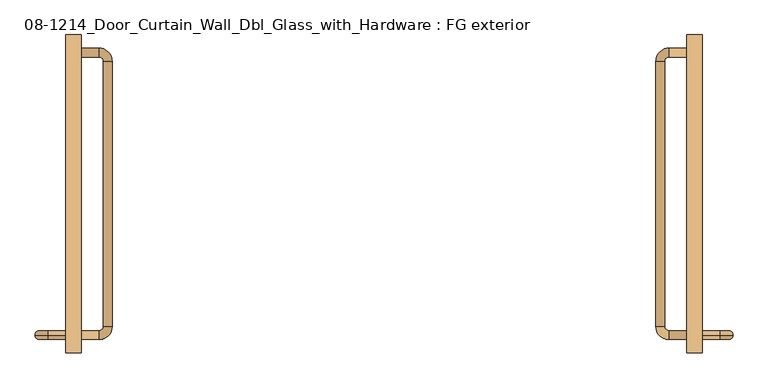
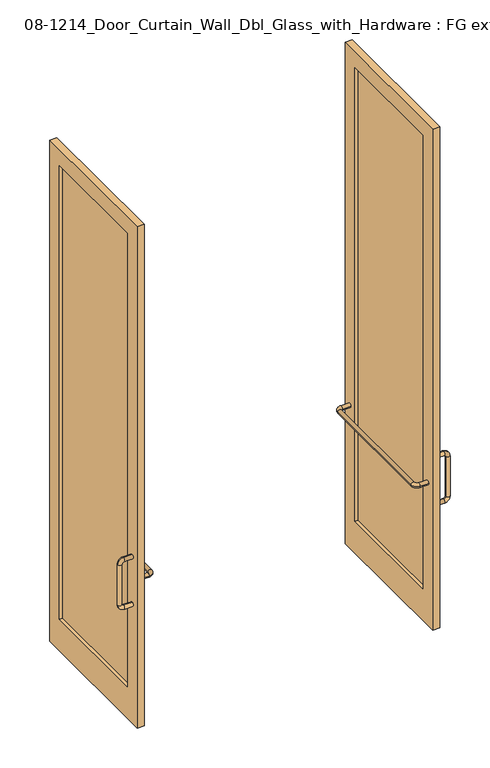
"""IFC4 building model written with IfcOpenShell, lengths in millimetres: door geometry, 08-1214_Door_Curtain_Wall_Dbl_Glass_with_Hardware : FG exterior."""

import ifcopenshell
import ifcopenshell.guid

model = None  # the IFC model being written
_history = None  # IfcOwnerHistory: only IFC2X3 demands one
_inside = {}  # id of a spatial element -> (the spatial element, [elements in it])
_under = {}  # id of a project, library or spatial element -> (it, [spatial elements below it])
_declared = {}  # id of a project -> (the project, [libraries it declares])
_typed = {}  # id of a type object -> (the type object, [elements of that type])
_made_of = {}  # id of a material, layer set ... -> (it, [elements and type objects made of it])


def new_model(schema):
    """Start an empty IFC model of exactly this schema.

    Asked for "IFC4X3", IfcOpenShell would pick the latest addendum, in which some entities
    have other attributes; the version numbers below select the first issue.
    IFC2X3 requires an IfcOwnerHistory on every rooted entity: one is made here for all.
    """
    global model, _history
    if schema == "IFC4X3":
        model = ifcopenshell.file(schema_version=(4, 3, 0, 0))
    else:
        model = ifcopenshell.file(schema=schema)
    _inside.clear()
    _under.clear()
    _declared.clear()
    _typed.clear()
    _made_of.clear()
    _history = None
    if model.schema == "IFC2X3":
        org = make("IfcOrganization", Name="unknown")
        user = make(
            "IfcPersonAndOrganization",
            ThePerson=make("IfcPerson", FamilyName="unknown"),
            TheOrganization=org,
        )
        app = make(
            "IfcApplication",
            ApplicationDeveloper=org,
            Version="unknown",
            ApplicationFullName="unknown",
            ApplicationIdentifier="unknown",
        )
        _history = make(
            "IfcOwnerHistory",
            OwningUser=user,
            OwningApplication=app,
            ChangeAction="ADDED",
            CreationDate=0,
        )
    return model


def make(cls, **values):
    """One entity of the class cls with the attributes given. An attribute that is None is left unset."""
    return model.create_entity(
        cls, **{name: value for name, value in values.items() if value is not None}
    )


def rooted(cls, **values):
    """An entity with a GlobalId (a new one), such as an element, a storey or a relation."""
    return make(cls, GlobalId=ifcopenshell.guid.new(), OwnerHistory=_history, **values)


def si_unit(unit_type, name, prefix=None):
    """IfcSIUnit, for example si_unit("LENGTHUNIT", "METRE", prefix="MILLI")."""
    return make("IfcSIUnit", UnitType=unit_type, Prefix=prefix, Name=name)


def assignment(units):
    """IfcUnitAssignment: the units of a project."""
    return None if units is None else make("IfcUnitAssignment", Units=units)


def point(xyz):
    """IfcCartesianPoint."""
    return None if xyz is None else make("IfcCartesianPoint", Coordinates=xyz)


def direction(xyz):
    """IfcDirection."""
    return None if xyz is None else make("IfcDirection", DirectionRatios=xyz)


def frame(location, z_axis=None, x_axis=None):
    """IfcAxis2Placement3D, a coordinate frame: its origin and axes. An axis left out is left unset."""
    return make(
        "IfcAxis2Placement3D",
        Location=point(location),
        Axis=direction(z_axis),
        RefDirection=direction(x_axis),
    )


def origin():
    """The frame at (0, 0, 0) with its axes left unset."""
    return frame((0.0, 0.0, 0.0))


def place(relative_to, where):
    """IfcLocalPlacement: puts the frame where relative to a parent placement (None: the world)."""
    return make(
        "IfcLocalPlacement", PlacementRelTo=relative_to, RelativePlacement=where
    )


def context(
    kind, dimensions, precision=None, world=None, true_north=None, identifier=None
):
    """IfcGeometricRepresentationContext, for example the 3D "Model" context."""
    return make(
        "IfcGeometricRepresentationContext",
        ContextIdentifier=identifier,
        ContextType=kind,
        CoordinateSpaceDimension=dimensions,
        Precision=precision,
        WorldCoordinateSystem=world,
        TrueNorth=true_north,
    )


def project(units=None, contexts=None):
    """IfcProject with its units and contexts."""
    return rooted(
        "IfcProject",
        Name="project",
        RepresentationContexts=contexts,
        UnitsInContext=assignment(units),
    )


def spatial(cls, under=None, at=None, **own):
    """A site, building, storey or space (cls), placed at a placement, below another one or the project."""
    s = rooted(cls, ObjectPlacement=at, **own)
    if under is not None:
        _under.setdefault(under.id(), (under, []))[1].append(s)
    return s


def polyline(points):
    """IfcPolyline through the points."""
    return make("IfcPolyline", Points=[point(p) for p in points])


def circle_curve(where, radius):
    """IfcCircle in the frame where."""
    return make("IfcCircle", Position=where, Radius=radius)


def ellipse_curve(where, semi_axis1, semi_axis2):
    """IfcEllipse in the frame where."""
    return make(
        "IfcEllipse", Position=where, SemiAxis1=semi_axis1, SemiAxis2=semi_axis2
    )


def trimmed(basis, trim1, trim2, sense, master):
    """IfcTrimmedCurve: the piece of a basis curve between two trims."""
    return make(
        "IfcTrimmedCurve",
        BasisCurve=basis,
        Trim1=trim1,
        Trim2=trim2,
        SenseAgreement=sense,
        MasterRepresentation=master,
    )


def outline(outer, holes=None, kind="AREA"):
    """IfcArbitraryClosedProfileDef: a profile drawn as a closed curve; with holes, ...WithVoids."""
    if holes is None:
        return make("IfcArbitraryClosedProfileDef", ProfileType=kind, OuterCurve=outer)
    return make(
        "IfcArbitraryProfileDefWithVoids",
        ProfileType=kind,
        OuterCurve=outer,
        InnerCurves=holes,
    )


def extrude(swept, where, along, depth):
    """IfcExtrudedAreaSolid: the profile swept, set in the frame where, extruded along a direction by depth."""
    return make(
        "IfcExtrudedAreaSolid",
        SweptArea=swept,
        Position=where,
        ExtrudedDirection=direction(along),
        Depth=depth,
    )


def shape(context_of_items, identifier, shape_type, items):
    """IfcShapeRepresentation: the items that make up one representation, for example the "Body"."""
    return make(
        "IfcShapeRepresentation",
        ContextOfItems=context_of_items,
        RepresentationIdentifier=identifier,
        RepresentationType=shape_type,
        Items=items,
    )


def source(mapping_origin, context_of_items, identifier, shape_type, items):
    """IfcRepresentationMap: a shape defined once, which mapped items show again and again."""
    return make(
        "IfcRepresentationMap",
        MappingOrigin=mapping_origin,
        MappedRepresentation=shape(context_of_items, identifier, shape_type, items),
    )


def transform(
    local_origin,
    x_axis=None,
    y_axis=None,
    z_axis=None,
    scale=None,
    scale2=None,
    scale3=None,
    uniform=True,
):
    """IfcCartesianTransformationOperator3D, or its non-uniform kind. x_axis, y_axis, z_axis: its Axis1, 2, 3."""
    if uniform:
        return make(
            "IfcCartesianTransformationOperator3D",
            Axis1=direction(x_axis),
            Axis2=direction(y_axis),
            LocalOrigin=point(local_origin),
            Scale=scale,
            Axis3=direction(z_axis),
        )
    return make(
        "IfcCartesianTransformationOperator3DnonUniform",
        Axis1=direction(x_axis),
        Axis2=direction(y_axis),
        LocalOrigin=point(local_origin),
        Scale=scale,
        Axis3=direction(z_axis),
        Scale2=scale2,
        Scale3=scale3,
    )


def mapped(mapping_source, mapping_target):
    """IfcMappedItem: shows the shape of a source again, moved by a transform."""
    return make(
        "IfcMappedItem", MappingSource=mapping_source, MappingTarget=mapping_target
    )


def made_of(thing, what):
    """Note that an element or type object is made of a material, layer set ...; save() writes the relation."""
    if what is not None:
        _made_of.setdefault(what.id(), (what, []))[1].append(thing)
    return thing


def element(
    cls,
    number,
    at=None,
    inside=None,
    cuts=None,
    type_object=None,
    material=None,
    context=None,
    identifier="Body",
    shape_type=None,
    held_by="IfcProductDefinitionShape",
    body=None,
    shapes=None,
    **own,
):
    """One element of the class cls, such as IfcWall. Its Tag is "e" and its number.

    at: its placement. inside: the storey or other place that contains it. cuts: it is an
    opening in that element (IfcRelVoidsElement). A single representation is given by context,
    identifier, shape_type and body (its items); several are given by shapes. held_by: the class
    of the entity that holds the representations. save() writes the other relations.
    """
    e = rooted(cls, Tag="e%d" % number, ObjectPlacement=at, **own)
    if body is not None:
        shapes = [shape(context, identifier, shape_type, body)]
    if shapes is not None:
        e.Representation = make(held_by, Representations=shapes)
    if inside is not None:
        _inside.setdefault(inside.id(), (inside, []))[1].append(e)
    if cuts is not None:
        rooted(
            "IfcRelVoidsElement", RelatingBuildingElement=cuts, RelatedOpeningElement=e
        )
    if type_object is not None:
        _typed.setdefault(type_object.id(), (type_object, []))[1].append(e)
    return made_of(e, material)


def aggregate(whole, parts):
    """IfcRelAggregates: a whole, such as a stair, and the parts it consists of."""
    return rooted("IfcRelAggregates", RelatingObject=whole, RelatedObjects=parts)


def save(model, path):
    """Write the relations noted so far, then the file.

    IfcRelAggregates (storeys below a building ...), IfcRelContainedInSpatialStructure (elements
    in a storey), IfcRelDefinesByType, IfcRelAssociatesMaterial and IfcRelDeclares: one each for
    every whole, place, type object, material and project.
    """
    for whole, parts in _under.values():
        aggregate(whole, parts)
    for where, things in _inside.values():
        rooted(
            "IfcRelContainedInSpatialStructure",
            RelatedElements=things,
            RelatingStructure=where,
        )
    for kind, things in _typed.values():
        rooted("IfcRelDefinesByType", RelatedObjects=things, RelatingType=kind)
    for what, things in _made_of.values():
        rooted("IfcRelAssociatesMaterial", RelatedObjects=things, RelatingMaterial=what)
    for by, libraries in _declared.values():
        rooted("IfcRelDeclares", RelatingContext=by, RelatedDefinitions=libraries)
    model.write(path)


def plane_surface(at):
    """IfcPlane: the flat surface through the origin of the frame at, square to its z axis."""
    return make("IfcPlane", Position=at)


def cylinder_surface(at, radius):
    """IfcCylindricalSurface: all points at the distance radius from the z axis of the frame at."""
    return make("IfcCylindricalSurface", Position=at, Radius=radius)


def revolved_surface(curve, axis_point, axis_direction):
    """IfcSurfaceOfRevolution: the curve turned about the line through axis_point along axis_direction."""
    return make(
        "IfcSurfaceOfRevolution",
        SweptCurve=make("IfcArbitraryOpenProfileDef", ProfileType="CURVE", Curve=curve),
        AxisPosition=make("IfcAxis1Placement", Location=point(axis_point), Axis=direction(axis_direction)),
    )


def advanced_brep(points, edges, surfaces, faces):
    """IfcAdvancedBrep: a solid bounded by faces that lie on surfaces and meet in shared edges.

    An edge is (start, end): straight between two places in points (the first is 0);
    or (start, end, curve); or (start, end, curve, False) where it runs against its curve.
    A face is (place in surfaces, loops), or (place, loops, False) where it looks against
    its surface's normal. A loop lists edges by number (the first is 1), with a minus sign
    where the edge is run from its end to its start. The first loop is the outer one.
    """
    corners = [point(p) for p in points]
    vertices = [make("IfcVertexPoint", VertexGeometry=c) for c in corners]
    made = []
    for start, end, *more in edges:
        made.append(
            make(
                "IfcEdgeCurve",
                EdgeStart=vertices[start],
                EdgeEnd=vertices[end],
                EdgeGeometry=more[0] if more else make("IfcPolyline", Points=[corners[start], corners[end]]),
                SameSense=more[1] if len(more) > 1 else True,
            )
        )
    hull = []
    for where, loops, *sense in faces:
        bounds = []
        for j, loop in enumerate(loops):
            ring = [make("IfcOrientedEdge", EdgeElement=made[abs(k) - 1], Orientation=k > 0) for k in loop]
            bounds.append(
                make(
                    "IfcFaceOuterBound" if j == 0 else "IfcFaceBound",
                    Bound=make("IfcEdgeLoop", EdgeList=ring),
                    Orientation=True,
                )
            )
        hull.append(make("IfcAdvancedFace", Bounds=bounds, FaceSurface=surfaces[where], SameSense=sense[0] if sense else True))
    return make("IfcAdvancedBrep", Outer=make("IfcClosedShell", CfsFaces=hull))


def door_08_1214_door_curtain_wall_dbl_glass_with_hardware_fg_d709a169(model_context):
    return source(origin(), model_context, "Body", "SolidModel", [
        advanced_brep(
        [(914.4, -927.1, 749.3), (914.4, -927.1, 774.7), (965.2, -927.1, 774.7), (965.2, -927.1, 749.3), (977.9, -927.1, 787.4), (977.9, -927.1, 1041.4), (1003.3, -927.1, 1041.4), (1003.3, -927.1, 787.4), (914.4, -927.1, 1079.5), (914.4, -927.1, 1054.1), (965.2, -927.1, 1054.1), (965.2, -927.1, 1079.5)],
        [
            (0, 1, circle_curve(frame((914.4, -927.1, 762.0), z_axis=(-1.0, 0.0, 0.0), x_axis=(0.0, 0.0, 1.0)), 12.7)),
            (1, 0, circle_curve(frame((914.4, -927.1, 762.0), z_axis=(-1.0, 0.0, 0.0), x_axis=(0.0, 0.0, 1.0)), 12.7)),
            (1, 2),
            (2, 3, circle_curve(frame((965.2, -927.1, 762.0), z_axis=(-1.0, 0.0, 0.0), x_axis=(0.0, 0.0, 1.0)), 12.7)),
            (3, 0),
            (3, 2, circle_curve(frame((965.2, -927.1, 762.0), z_axis=(-1.0, 0.0, 0.0), x_axis=(0.0, 0.0, 1.0)), 12.7)),
            (4, 5),
            (5, 6, circle_curve(frame((990.6, -927.1, 1041.4), z_axis=(0.0, 0.0, -1.0), x_axis=(-1.0, 0.0, 0.0)), 12.7)),
            (6, 7),
            (7, 4, circle_curve(frame((990.6, -927.1, 787.4), z_axis=(0.0, 0.0, 1.0), x_axis=(-1.0, 0.0, 0.0)), 12.7)),
            (6, 5, circle_curve(frame((990.6, -927.1, 1041.4), z_axis=(0.0, 0.0, -1.0), x_axis=(-1.0, 0.0, 0.0)), 12.7)),
            (4, 7, circle_curve(frame((990.6, -927.1, 787.4), z_axis=(0.0, 0.0, 1.0), x_axis=(-1.0, 0.0, 0.0)), 12.7)),
            (8, 9, circle_curve(frame((914.4, -927.1, 1066.8), z_axis=(-1.0, 0.0, 0.0), x_axis=(0.0, 0.0, -1.0)), 12.7)),
            (9, 8, circle_curve(frame((914.4, -927.1, 1066.8), z_axis=(-1.0, 0.0, 0.0), x_axis=(0.0, 0.0, -1.0)), 12.7)),
            (10, 9),
            (8, 11),
            (11, 10, circle_curve(frame((965.2, -927.1, 1066.8), z_axis=(-1.0, 0.0, 0.0), x_axis=(0.0, 0.0, -1.0)), 12.7)),
            (10, 11, circle_curve(frame((965.2, -927.1, 1066.8), z_axis=(-1.0, 0.0, 0.0), x_axis=(0.0, 0.0, -1.0)), 12.7)),
            (7, 3, circle_curve(frame((965.2, -927.1, 787.4), z_axis=(0.0, 1.0, 0.0), x_axis=(0.0, 0.0, -1.0)), 38.1)),
            (2, 4, circle_curve(frame((965.2, -927.1, 787.4), z_axis=(0.0, -1.0, 0.0), x_axis=(0.0, 0.0, -1.0)), 12.7)),
            (11, 6, circle_curve(frame((965.2, -927.1, 1041.4), z_axis=(0.0, 1.0, 0.0), x_axis=(1.0, 0.0, 0.0)), 38.1)),
            (5, 10, circle_curve(frame((965.2, -927.1, 1041.4), z_axis=(0.0, -1.0, 0.0), x_axis=(1.0, 0.0, 0.0)), 12.7)),
        ],
        [
            plane_surface(frame((914.4, -927.1, 762.0), z_axis=(-1.0, 0.0, 0.0), x_axis=(0.0, 1.0, 0.0))),
            cylinder_surface(frame((914.4, -927.1, 762.0), z_axis=(-1.0, 0.0, 0.0), x_axis=(0.0, 0.0, 1.0)), 12.7),
            cylinder_surface(frame((990.6, -927.1, 787.4), z_axis=(0.0, 0.0, -1.0), x_axis=(-1.0, 0.0, 0.0)), 12.7),
            plane_surface(frame((914.4, -927.1, 1066.8), z_axis=(-1.0, 0.0, 0.0), x_axis=(0.0, 1.0, 0.0))),
            cylinder_surface(frame((965.2, -927.1, 1066.8), z_axis=(1.0, 0.0, 0.0), x_axis=(0.0, 0.0, -1.0)), 12.7),
            revolved_surface(trimmed(ellipse_curve(frame((965.2, -927.1, 762.0), z_axis=(1.0, 0.0, 0.0), x_axis=(0.0, 0.0, 1.0)), 12.7, 12.7), [point((965.2, -927.1, 749.3))], [point((965.2, -927.1, 774.7))], True, "CARTESIAN"), (965.2, -927.1, 787.4), (0.0, 1.0, 0.0)),
            revolved_surface(trimmed(ellipse_curve(frame((965.2, -927.1, 762.0), z_axis=(1.0, 0.0, 0.0), x_axis=(0.0, 0.0, 1.0)), 12.7, 12.7), [point((965.2, -927.1, 774.7))], [point((965.2, -927.1, 749.3))], True, "CARTESIAN"), (965.2, -927.1, 787.4), (0.0, 1.0, 0.0)),
            revolved_surface(trimmed(ellipse_curve(frame((990.6, -927.1, 1041.4), z_axis=(0.0, 0.0, 1.0), x_axis=(-1.0, 0.0, 0.0)), 12.7, 12.7), [point((1003.3, -927.1, 1041.4))], [point((977.9, -927.1, 1041.4))], True, "CARTESIAN"), (965.2, -927.1, 1041.4), (0.0, 1.0, 0.0)),
            revolved_surface(trimmed(ellipse_curve(frame((990.6, -927.1, 1041.4), z_axis=(0.0, 0.0, 1.0), x_axis=(-1.0, 0.0, 0.0)), 12.7, 12.7), [point((977.9, -927.1, 1041.4))], [point((1003.3, -927.1, 1041.4))], True, "CARTESIAN"), (965.2, -927.1, 1041.4), (0.0, 1.0, 0.0)),
        ],
        [
            (0, [[1, 2]]),
            (1, [[3, 4, 5, -2]]),
            (1, [[-5, 6, -3, -1]]),
            (2, [[7, 8, 9, 10]]),
            (2, [[-9, 11, -7, 12]]),
            (3, [[13, 14]]),
            (4, [[15, -13, 16, 17]]),
            (4, [[-16, -14, -15, 18]]),
            (5, [[-10, 19, -4, 20]]),
            (6, [[-12, -20, -6, -19]]),
            (7, [[-17, 21, -8, 22]]),
            (8, [[-18, -22, -11, -21]]),
        ],
    ),
        advanced_brep(
        [(869.95, -101.6, 914.4), (869.95, -127.0, 914.4), (819.15, -127.0, 914.4), (819.15, -101.6, 914.4), (806.45, -139.7, 914.4), (806.45, -901.7, 914.4), (781.05, -901.7, 914.4), (781.05, -139.7, 914.4), (869.95, -939.8, 914.4), (869.95, -914.4, 914.4), (819.15, -914.4, 914.4), (819.15, -939.8, 914.4)],
        [
            (0, 1, circle_curve(frame((869.95, -114.3, 914.4), z_axis=(1.0, 0.0, 0.0), x_axis=(0.0, -1.0, 0.0)), 12.7)),
            (1, 0, circle_curve(frame((869.95, -114.3, 914.4), z_axis=(1.0, 0.0, 0.0), x_axis=(0.0, -1.0, 0.0)), 12.7)),
            (1, 2),
            (2, 3, circle_curve(frame((819.15, -114.3, 914.4), z_axis=(1.0, 0.0, 0.0), x_axis=(0.0, -1.0, 0.0)), 12.7)),
            (3, 0),
            (3, 2, circle_curve(frame((819.15, -114.3, 914.4), z_axis=(1.0, 0.0, 0.0), x_axis=(0.0, -1.0, 0.0)), 12.7)),
            (4, 5),
            (5, 6, circle_curve(frame((793.75, -901.7, 914.4), z_axis=(0.0, 1.0, 0.0), x_axis=(1.0, 0.0, 0.0)), 12.7)),
            (6, 7),
            (7, 4, circle_curve(frame((793.75, -139.7, 914.4), z_axis=(0.0, -1.0, 0.0), x_axis=(1.0, 0.0, 0.0)), 12.7)),
            (6, 5, circle_curve(frame((793.75, -901.7, 914.4), z_axis=(0.0, 1.0, 0.0), x_axis=(1.0, 0.0, 0.0)), 12.7)),
            (4, 7, circle_curve(frame((793.75, -139.7, 914.4), z_axis=(0.0, -1.0, 0.0), x_axis=(1.0, 0.0, 0.0)), 12.7)),
            (8, 9, circle_curve(frame((869.95, -927.1, 914.4), z_axis=(1.0, 0.0, 0.0), x_axis=(0.0, 1.0, 0.0)), 12.7)),
            (9, 8, circle_curve(frame((869.95, -927.1, 914.4), z_axis=(1.0, 0.0, 0.0), x_axis=(0.0, 1.0, 0.0)), 12.7)),
            (10, 9),
            (8, 11),
            (11, 10, circle_curve(frame((819.15, -927.1, 914.4), z_axis=(1.0, 0.0, 0.0), x_axis=(0.0, 1.0, 0.0)), 12.7)),
            (10, 11, circle_curve(frame((819.15, -927.1, 914.4), z_axis=(1.0, 0.0, 0.0), x_axis=(0.0, 1.0, 0.0)), 12.7)),
            (7, 3, circle_curve(frame((819.15, -139.7, 914.4), z_axis=(0.0, 0.0, -1.0), x_axis=(0.0, 1.0, 0.0)), 38.1)),
            (2, 4, circle_curve(frame((819.15, -139.7, 914.4), z_axis=(0.0, 0.0, 1.0), x_axis=(0.0, 1.0, 0.0)), 12.7)),
            (11, 6, circle_curve(frame((819.15, -901.7, 914.4), z_axis=(0.0, 0.0, -1.0), x_axis=(-1.0, 0.0, 0.0)), 38.1)),
            (5, 10, circle_curve(frame((819.15, -901.7, 914.4), z_axis=(0.0, 0.0, 1.0), x_axis=(-1.0, 0.0, 0.0)), 12.7)),
        ],
        [
            plane_surface(frame((869.95, -114.3, 914.4), z_axis=(1.0, 0.0, 0.0), x_axis=(0.0, 0.0, -1.0))),
            cylinder_surface(frame((869.95, -114.3, 914.4), z_axis=(1.0, 0.0, 0.0), x_axis=(0.0, -1.0, 0.0)), 12.7),
            cylinder_surface(frame((793.75, -139.7, 914.4), z_axis=(0.0, 1.0, 0.0), x_axis=(1.0, 0.0, 0.0)), 12.7),
            plane_surface(frame((869.95, -927.1, 914.4), z_axis=(1.0, 0.0, 0.0), x_axis=(0.0, 0.0, -1.0))),
            cylinder_surface(frame((819.15, -927.1, 914.4), z_axis=(-1.0, 0.0, 0.0), x_axis=(0.0, 1.0, 0.0)), 12.7),
            revolved_surface(trimmed(ellipse_curve(frame((819.15, -114.3, 914.4), z_axis=(-1.0, 0.0, 0.0), x_axis=(0.0, -1.0, 0.0)), 12.7, 12.7), [point((819.15, -101.6, 914.4))], [point((819.15, -127.0, 914.4))], True, "CARTESIAN"), (819.15, -139.7, 914.4), (0.0, 0.0, -1.0)),
            revolved_surface(trimmed(ellipse_curve(frame((819.15, -114.3, 914.4), z_axis=(-1.0, 0.0, 0.0), x_axis=(0.0, -1.0, 0.0)), 12.7, 12.7), [point((819.15, -127.0, 914.4))], [point((819.15, -101.6, 914.4))], True, "CARTESIAN"), (819.15, -139.7, 914.4), (0.0, 0.0, -1.0)),
            revolved_surface(trimmed(ellipse_curve(frame((793.75, -901.7, 914.4), z_axis=(0.0, -1.0, 0.0), x_axis=(1.0, 0.0, 0.0)), 12.7, 12.7), [point((781.05, -901.7, 914.4))], [point((806.45, -901.7, 914.4))], True, "CARTESIAN"), (819.15, -901.7, 914.4), (0.0, 0.0, -1.0)),
            revolved_surface(trimmed(ellipse_curve(frame((793.75, -901.7, 914.4), z_axis=(0.0, -1.0, 0.0), x_axis=(1.0, 0.0, 0.0)), 12.7, 12.7), [point((806.45, -901.7, 914.4))], [point((781.05, -901.7, 914.4))], True, "CARTESIAN"), (819.15, -901.7, 914.4), (0.0, 0.0, -1.0)),
        ],
        [
            (0, [[1, 2]]),
            (1, [[3, 4, 5, -2]]),
            (1, [[-5, 6, -3, -1]]),
            (2, [[7, 8, 9, 10]]),
            (2, [[-9, 11, -7, 12]]),
            (3, [[13, 14]]),
            (4, [[15, -13, 16, 17]]),
            (4, [[-16, -14, -15, 18]]),
            (5, [[-10, 19, -4, 20]]),
            (6, [[-12, -20, -6, -19]]),
            (7, [[-17, 21, -8, 22]]),
            (8, [[-18, -22, -11, -21]]),
        ],
    ),
        extrude(outline(polyline([(895.35, -876.3), (889.0, -876.3), (889.0, -165.1), (895.35, -165.1), (895.35, -876.3)])), frame((0.0, 0.0, 203.2), z_axis=(0.0, 0.0, 1.0), x_axis=(1.0, 0.0, 0.0)), (0.0, 0.0, 1.0), 2895.6),
        extrude(outline(polyline([(-63.5, 3200.4), (-63.5, 0.0), (-977.9, 0.0), (-977.9, 3200.4), (-63.5, 3200.4)]), holes=[polyline([(-165.1, 3098.8), (-876.3, 3098.8), (-876.3, 203.2), (-165.1, 203.2), (-165.1, 3098.8)])]), frame((869.95, 0.0, 0.0), z_axis=(1.0, 0.0, 0.0), x_axis=(0.0, 1.0, 0.0)), (0.0, 0.0, 1.0), 44.45),
        advanced_brep(
        [(-914.4, -927.1, 749.3), (-914.4, -927.1, 774.7), (-965.2, -927.1, 749.3), (-965.2, -927.1, 774.7), (-977.9, -927.1, 787.4), (-1003.3, -927.1, 787.4), (-1003.3, -927.1, 1041.4), (-977.9, -927.1, 1041.4), (-914.4, -927.1, 1079.5), (-914.4, -927.1, 1054.1), (-965.2, -927.1, 1054.1), (-965.2, -927.1, 1079.5)],
        [
            (0, 1, circle_curve(frame((-914.4, -927.1, 762.0), z_axis=(1.0, 0.0, 0.0), x_axis=(0.0, 0.0, 1.0)), 12.7)),
            (1, 0, circle_curve(frame((-914.4, -927.1, 762.0), z_axis=(1.0, 0.0, 0.0), x_axis=(0.0, 0.0, 1.0)), 12.7)),
            (0, 2),
            (2, 3, circle_curve(frame((-965.2, -927.1, 762.0), z_axis=(1.0, 0.0, 0.0), x_axis=(0.0, 0.0, 1.0)), 12.7)),
            (3, 1),
            (3, 2, circle_curve(frame((-965.2, -927.1, 762.0), z_axis=(1.0, 0.0, 0.0), x_axis=(0.0, 0.0, 1.0)), 12.7)),
            (4, 5, circle_curve(frame((-990.6, -927.1, 787.4), z_axis=(0.0, 0.0, 1.0), x_axis=(1.0, 0.0, 0.0)), 12.7)),
            (5, 6),
            (6, 7, circle_curve(frame((-990.6, -927.1, 1041.4), z_axis=(0.0, 0.0, -1.0), x_axis=(1.0, 0.0, 0.0)), 12.7)),
            (7, 4),
            (5, 4, circle_curve(frame((-990.6, -927.1, 787.4), z_axis=(0.0, 0.0, 1.0), x_axis=(1.0, 0.0, 0.0)), 12.7)),
            (7, 6, circle_curve(frame((-990.6, -927.1, 1041.4), z_axis=(0.0, 0.0, -1.0), x_axis=(1.0, 0.0, 0.0)), 12.7)),
            (8, 9, circle_curve(frame((-914.4, -927.1, 1066.8), z_axis=(1.0, 0.0, 0.0), x_axis=(0.0, 0.0, -1.0)), 12.7)),
            (9, 8, circle_curve(frame((-914.4, -927.1, 1066.8), z_axis=(1.0, 0.0, 0.0), x_axis=(0.0, 0.0, -1.0)), 12.7)),
            (10, 11, circle_curve(frame((-965.2, -927.1, 1066.8), z_axis=(1.0, 0.0, 0.0), x_axis=(0.0, 0.0, -1.0)), 12.7)),
            (11, 8),
            (9, 10),
            (11, 10, circle_curve(frame((-965.2, -927.1, 1066.8), z_axis=(1.0, 0.0, 0.0), x_axis=(0.0, 0.0, -1.0)), 12.7)),
            (4, 3, circle_curve(frame((-965.2, -927.1, 787.4), z_axis=(0.0, -1.0, 0.0), x_axis=(0.0, 0.0, -1.0)), 12.7)),
            (2, 5, circle_curve(frame((-965.2, -927.1, 787.4), z_axis=(0.0, 1.0, 0.0), x_axis=(0.0, 0.0, -1.0)), 38.1)),
            (10, 7, circle_curve(frame((-965.2, -927.1, 1041.4), z_axis=(0.0, -1.0, 0.0), x_axis=(-1.0, 0.0, 0.0)), 12.7)),
            (6, 11, circle_curve(frame((-965.2, -927.1, 1041.4), z_axis=(0.0, 1.0, 0.0), x_axis=(-1.0, 0.0, 0.0)), 38.1)),
        ],
        [
            plane_surface(frame((-914.4, -927.1, 762.0), z_axis=(1.0, 0.0, 0.0), x_axis=(0.0, 1.0, 0.0))),
            cylinder_surface(frame((-914.4, -927.1, 762.0), z_axis=(1.0, 0.0, 0.0), x_axis=(0.0, 0.0, 1.0)), 12.7),
            cylinder_surface(frame((-990.6, -927.1, 787.4), z_axis=(0.0, 0.0, -1.0), x_axis=(1.0, 0.0, 0.0)), 12.7),
            plane_surface(frame((-914.4, -927.1, 1066.8), z_axis=(1.0, 0.0, 0.0), x_axis=(0.0, 1.0, 0.0))),
            cylinder_surface(frame((-965.2, -927.1, 1066.8), z_axis=(-1.0, 0.0, 0.0), x_axis=(0.0, 0.0, -1.0)), 12.7),
            revolved_surface(trimmed(ellipse_curve(frame((-965.2, -927.1, 762.0), z_axis=(1.0, 0.0, 0.0), x_axis=(0.0, 0.0, 1.0)), 12.7, 12.7), [point((-965.2, -927.1, 749.3))], [point((-965.2, -927.1, 774.7))], True, "CARTESIAN"), (-965.2, -927.1, 787.4), (0.0, 1.0, 0.0)),
            revolved_surface(trimmed(ellipse_curve(frame((-965.2, -927.1, 762.0), z_axis=(1.0, 0.0, 0.0), x_axis=(0.0, 0.0, 1.0)), 12.7, 12.7), [point((-965.2, -927.1, 774.7))], [point((-965.2, -927.1, 749.3))], True, "CARTESIAN"), (-965.2, -927.1, 787.4), (0.0, 1.0, 0.0)),
            revolved_surface(trimmed(ellipse_curve(frame((-990.6, -927.1, 1041.4), z_axis=(0.0, 0.0, -1.0), x_axis=(1.0, 0.0, 0.0)), 12.7, 12.7), [point((-1003.3, -927.1, 1041.4))], [point((-977.9, -927.1, 1041.4))], True, "CARTESIAN"), (-965.2, -927.1, 1041.4), (0.0, 1.0, 0.0)),
            revolved_surface(trimmed(ellipse_curve(frame((-990.6, -927.1, 1041.4), z_axis=(0.0, 0.0, -1.0), x_axis=(1.0, 0.0, 0.0)), 12.7, 12.7), [point((-977.9, -927.1, 1041.4))], [point((-1003.3, -927.1, 1041.4))], True, "CARTESIAN"), (-965.2, -927.1, 1041.4), (0.0, 1.0, 0.0)),
        ],
        [
            (0, [[1, 2]]),
            (1, [[-1, 3, 4, 5]]),
            (1, [[-2, -5, 6, -3]]),
            (2, [[7, 8, 9, 10]]),
            (2, [[11, -10, 12, -8]]),
            (3, [[13, 14]]),
            (4, [[15, 16, -14, 17]]),
            (4, [[18, -17, -13, -16]]),
            (5, [[19, -4, 20, -7]]),
            (6, [[-20, -6, -19, -11]]),
            (7, [[21, -9, 22, -15]]),
            (8, [[-22, -12, -21, -18]]),
        ],
    ),
        advanced_brep(
        [(-869.95, -101.6, 914.4), (-869.95, -127.0, 914.4), (-819.15, -101.6, 914.4), (-819.15, -127.0, 914.4), (-806.45, -139.7, 914.4), (-781.05, -139.7, 914.4), (-781.05, -901.7, 914.4), (-806.45, -901.7, 914.4), (-869.95, -939.8, 914.4), (-869.95, -914.4, 914.4), (-819.15, -914.4, 914.4), (-819.15, -939.8, 914.4)],
        [
            (0, 1, circle_curve(frame((-869.95, -114.3, 914.4), z_axis=(-1.0, 0.0, 0.0), x_axis=(0.0, -1.0, 0.0)), 12.7)),
            (1, 0, circle_curve(frame((-869.95, -114.3, 914.4), z_axis=(-1.0, 0.0, 0.0), x_axis=(0.0, -1.0, 0.0)), 12.7)),
            (0, 2),
            (2, 3, circle_curve(frame((-819.15, -114.3, 914.4), z_axis=(-1.0, 0.0, 0.0), x_axis=(0.0, -1.0, 0.0)), 12.7)),
            (3, 1),
            (3, 2, circle_curve(frame((-819.15, -114.3, 914.4), z_axis=(-1.0, 0.0, 0.0), x_axis=(0.0, -1.0, 0.0)), 12.7)),
            (4, 5, circle_curve(frame((-793.75, -139.7, 914.4), z_axis=(0.0, -1.0, 0.0), x_axis=(-1.0, 0.0, 0.0)), 12.7)),
            (5, 6),
            (6, 7, circle_curve(frame((-793.75, -901.7, 914.4), z_axis=(0.0, 1.0, 0.0), x_axis=(-1.0, 0.0, 0.0)), 12.7)),
            (7, 4),
            (5, 4, circle_curve(frame((-793.75, -139.7, 914.4), z_axis=(0.0, -1.0, 0.0), x_axis=(-1.0, 0.0, 0.0)), 12.7)),
            (7, 6, circle_curve(frame((-793.75, -901.7, 914.4), z_axis=(0.0, 1.0, 0.0), x_axis=(-1.0, 0.0, 0.0)), 12.7)),
            (8, 9, circle_curve(frame((-869.95, -927.1, 914.4), z_axis=(-1.0, 0.0, 0.0), x_axis=(0.0, 1.0, 0.0)), 12.7)),
            (9, 8, circle_curve(frame((-869.95, -927.1, 914.4), z_axis=(-1.0, 0.0, 0.0), x_axis=(0.0, 1.0, 0.0)), 12.7)),
            (10, 11, circle_curve(frame((-819.15, -927.1, 914.4), z_axis=(-1.0, 0.0, 0.0), x_axis=(0.0, 1.0, 0.0)), 12.7)),
            (11, 8),
            (9, 10),
            (11, 10, circle_curve(frame((-819.15, -927.1, 914.4), z_axis=(-1.0, 0.0, 0.0), x_axis=(0.0, 1.0, 0.0)), 12.7)),
            (4, 3, circle_curve(frame((-819.15, -139.7, 914.4), z_axis=(0.0, 0.0, 1.0), x_axis=(0.0, 1.0, 0.0)), 12.7)),
            (2, 5, circle_curve(frame((-819.15, -139.7, 914.4), z_axis=(0.0, 0.0, -1.0), x_axis=(0.0, 1.0, 0.0)), 38.1)),
            (10, 7, circle_curve(frame((-819.15, -901.7, 914.4), z_axis=(0.0, 0.0, 1.0), x_axis=(1.0, 0.0, 0.0)), 12.7)),
            (6, 11, circle_curve(frame((-819.15, -901.7, 914.4), z_axis=(0.0, 0.0, -1.0), x_axis=(1.0, 0.0, 0.0)), 38.1)),
        ],
        [
            plane_surface(frame((-869.95, -114.3, 914.4), z_axis=(-1.0, 0.0, 0.0), x_axis=(0.0, 0.0, -1.0))),
            cylinder_surface(frame((-869.95, -114.3, 914.4), z_axis=(-1.0, 0.0, 0.0), x_axis=(0.0, -1.0, 0.0)), 12.7),
            cylinder_surface(frame((-793.75, -139.7, 914.4), z_axis=(0.0, 1.0, 0.0), x_axis=(-1.0, 0.0, 0.0)), 12.7),
            plane_surface(frame((-869.95, -927.1, 914.4), z_axis=(-1.0, 0.0, 0.0), x_axis=(0.0, 0.0, -1.0))),
            cylinder_surface(frame((-819.15, -927.1, 914.4), z_axis=(1.0, 0.0, 0.0), x_axis=(0.0, 1.0, 0.0)), 12.7),
            revolved_surface(trimmed(ellipse_curve(frame((-819.15, -114.3, 914.4), z_axis=(-1.0, 0.0, 0.0), x_axis=(0.0, -1.0, 0.0)), 12.7, 12.7), [point((-819.15, -101.6, 914.4))], [point((-819.15, -127.0, 914.4))], True, "CARTESIAN"), (-819.15, -139.7, 914.4), (0.0, 0.0, -1.0)),
            revolved_surface(trimmed(ellipse_curve(frame((-819.15, -114.3, 914.4), z_axis=(-1.0, 0.0, 0.0), x_axis=(0.0, -1.0, 0.0)), 12.7, 12.7), [point((-819.15, -127.0, 914.4))], [point((-819.15, -101.6, 914.4))], True, "CARTESIAN"), (-819.15, -139.7, 914.4), (0.0, 0.0, -1.0)),
            revolved_surface(trimmed(ellipse_curve(frame((-793.75, -901.7, 914.4), z_axis=(0.0, 1.0, 0.0), x_axis=(-1.0, 0.0, 0.0)), 12.7, 12.7), [point((-781.05, -901.7, 914.4))], [point((-806.45, -901.7, 914.4))], True, "CARTESIAN"), (-819.15, -901.7, 914.4), (0.0, 0.0, -1.0)),
            revolved_surface(trimmed(ellipse_curve(frame((-793.75, -901.7, 914.4), z_axis=(0.0, 1.0, 0.0), x_axis=(-1.0, 0.0, 0.0)), 12.7, 12.7), [point((-806.45, -901.7, 914.4))], [point((-781.05, -901.7, 914.4))], True, "CARTESIAN"), (-819.15, -901.7, 914.4), (0.0, 0.0, -1.0)),
        ],
        [
            (0, [[1, 2]]),
            (1, [[-1, 3, 4, 5]]),
            (1, [[-2, -5, 6, -3]]),
            (2, [[7, 8, 9, 10]]),
            (2, [[11, -10, 12, -8]]),
            (3, [[13, 14]]),
            (4, [[15, 16, -14, 17]]),
            (4, [[18, -17, -13, -16]]),
            (5, [[19, -4, 20, -7]]),
            (6, [[-20, -6, -19, -11]]),
            (7, [[21, -9, 22, -15]]),
            (8, [[-22, -12, -21, -18]]),
        ],
    ),
        extrude(outline(polyline([(-895.35, -876.3), (-895.35, -165.1), (-889.0, -165.1), (-889.0, -876.3), (-895.35, -876.3)])), frame((0.0, 0.0, 203.2), z_axis=(0.0, 0.0, 1.0), x_axis=(1.0, 0.0, 0.0)), (0.0, 0.0, 1.0), 2895.6),
        extrude(outline(polyline([(-977.9, 3200.4), (-63.5, 3200.4), (-63.5, 0.0), (-977.9, 0.0), (-977.9, 3200.4)]), holes=[polyline([(-165.1, 203.2), (-165.1, 3098.8), (-876.3, 3098.8), (-876.3, 203.2), (-165.1, 203.2)])]), frame((-914.4, 0.0, 0.0), z_axis=(1.0, 0.0, 0.0), x_axis=(0.0, 1.0, 0.0)), (0.0, 0.0, 1.0), 44.45),
    ])


if __name__ == "__main__":
    model = new_model("IFC4")
    model_context = context("Model", 3, world=origin())
    ifc_project = project(units=[si_unit("LENGTHUNIT", "METRE", prefix="MILLI")], contexts=[model_context])
    site = spatial("IfcSite", under=ifc_project)
    building = spatial("IfcBuilding", under=site)
    placement = place(None, origin())
    door_08_1214_door_curtain_wall_dbl_glass_with_hardware_fg_shape = door_08_1214_door_curtain_wall_dbl_glass_with_hardware_fg_d709a169(model_context)
    element("IfcDoor", 1, ObjectType="08-1214_Door_Curtain_Wall_Dbl_Glass_with_Hardware : FG exterior", at=placement, inside=building, context=model_context, shape_type="MappedRepresentation", body=[
        mapped(door_08_1214_door_curtain_wall_dbl_glass_with_hardware_fg_shape, transform((0.0, 0.0, 0.0), x_axis=(1.0, 0.0, 0.0), y_axis=(0.0, 1.0, 0.0), z_axis=(0.0, 0.0, 1.0))),
    ])
    save(model, "model.ifc")
